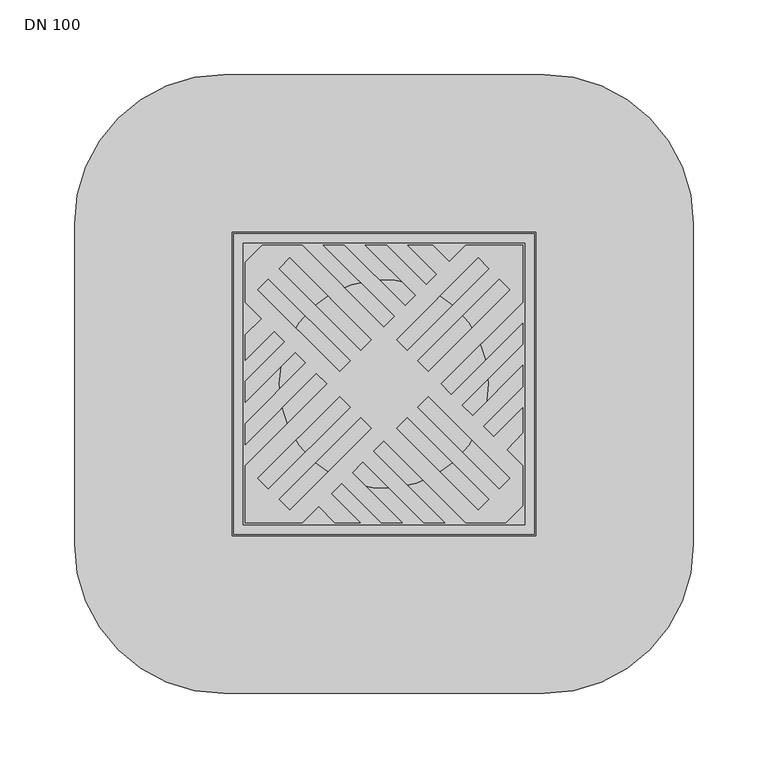
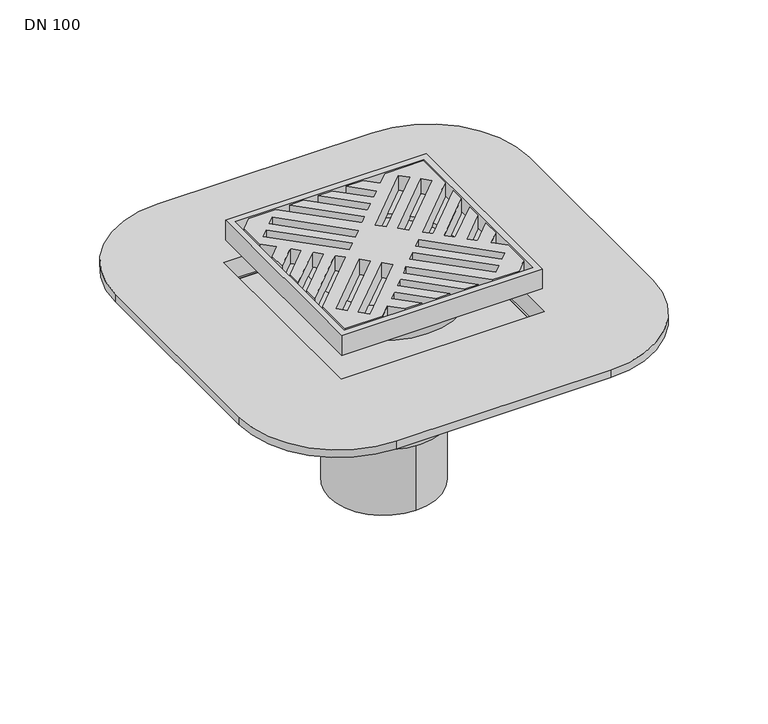
"""IFC4 building model written with IfcOpenShell, lengths in millimetres: sanitary terminal geometry, DN 100."""

from ifc_helpers import new_model, si_unit, frame, origin, place, context, project, spatial, polyline, circle_curve, outline, extrude, faceted_brep, source, transform, mapped, element, save
from ifc_brep_helpers import plane_surface, cylinder_surface, revolved_surface, advanced_brep


def dn_100_23a00a15(model_context):
    return source(origin(), model_context, "Body", "SolidModel", [
        faceted_brep([(84.95, 84.95, -21.0), (-84.95, 84.95, -21.0), (-84.95, -84.95, -21.0), (84.95, -84.95, -21.0), (78.7, 78.7, -29.0), (78.7, -78.7, -29.0), (-78.7, -78.7, -29.0), (-78.7, 78.7, -29.0)], [[[0, 1, 2, 3]], [[4, 5, 6, 7]], [[4, 7, 1, 0]], [[7, 6, 2, 1]], [[6, 5, 3, 2]], [[5, 4, 0, 3]]]),
        advanced_brep(
        [(-75.1, 0.0, -49.0), (75.1, 0.0, -49.0), (-75.1, 0.0, -29.0), (75.1, 0.0, -29.0)],
        [
            (0, 1, circle_curve(frame((0.0, 0.0, -49.0), z_axis=(0.0, 0.0, -1.0), x_axis=(1.0, 0.0, 0.0)), 75.1)),
            (1, 0, circle_curve(frame((0.0, 0.0, -49.0), z_axis=(0.0, 0.0, -1.0), x_axis=(1.0, 0.0, 0.0)), 75.1)),
            (2, 3, circle_curve(frame((0.0, 0.0, -29.0), z_axis=(0.0, 0.0, 1.0), x_axis=(1.0, 0.0, 0.0)), 75.1)),
            (3, 2, circle_curve(frame((0.0, 0.0, -29.0), z_axis=(0.0, 0.0, 1.0), x_axis=(1.0, 0.0, 0.0)), 75.1)),
            (1, 3),
            (2, 0),
        ],
        [
            plane_surface(frame((75.1, 0.0, -49.0), z_axis=(0.0, 0.0, -1.0), x_axis=(0.0, -1.0, 0.0))),
            plane_surface(frame((75.1, 0.0, -29.0), z_axis=(0.0, 0.0, 1.0), x_axis=(0.0, 1.0, 0.0))),
            cylinder_surface(frame((0.0, 0.0, -49.0), z_axis=(0.0, 0.0, 1.0), x_axis=(1.0, 0.0, 0.0)), 75.1),
        ],
        [
            (0, [[1, 2]]),
            (1, [[3, 4]]),
            (2, [[-2, 5, -3, 6]]),
            (2, [[-1, -6, -4, -5]]),
        ],
    ),
        advanced_brep(
        [(100.75, 100.75, -21.0), (100.75, -100.75, -21.0), (-100.75, -100.75, -21.0), (-100.75, 100.75, -21.0), (-70.1, 0.0, -21.0), (70.1, 0.0, -21.0), (94.5, -94.5, -16.0), (94.5, 94.5, -16.0), (-94.5, 94.5, -16.0), (-94.5, -94.5, -16.0), (-70.1, 0.0, -16.0), (70.1, 0.0, -16.0), (100.75, 100.75, 0.0), (-100.75, 100.75, 0.0), (-100.75, -100.75, 0.0), (100.75, -100.75, 0.0), (94.5, 94.5, 0.0), (94.5, -94.5, 0.0), (-94.5, -94.5, 0.0), (-94.5, 94.5, 0.0)],
        [
            (0, 1),
            (1, 2),
            (2, 3),
            (3, 0),
            (4, 5, circle_curve(frame((0.0, 0.0, -21.0), z_axis=(0.0, 0.0, 1.0), x_axis=(1.0, 0.0, 0.0)), 70.1)),
            (5, 4, circle_curve(frame((0.0, 0.0, -21.0), z_axis=(0.0, 0.0, 1.0), x_axis=(1.0, 0.0, 0.0)), 70.1)),
            (6, 7),
            (7, 8),
            (8, 9),
            (9, 6),
            (10, 11, circle_curve(frame((0.0, 0.0, -16.0), z_axis=(0.0, 0.0, -1.0), x_axis=(1.0, 0.0, 0.0)), 70.1)),
            (11, 10, circle_curve(frame((0.0, 0.0, -16.0), z_axis=(0.0, 0.0, -1.0), x_axis=(1.0, 0.0, 0.0)), 70.1)),
            (5, 11),
            (10, 4),
            (12, 13),
            (13, 14),
            (14, 15),
            (15, 12),
            (16, 17),
            (17, 18),
            (18, 19),
            (19, 16),
            (3, 13),
            (12, 0),
            (2, 14),
            (1, 15),
            (16, 7),
            (6, 17),
            (9, 18),
            (8, 19),
        ],
        [
            plane_surface(frame((-94.5, 94.5, -21.0), z_axis=(0.0, 0.0, -1.0), x_axis=(1.0, 0.0, 0.0))),
            plane_surface(frame((-94.5, 94.5, -16.0), z_axis=(0.0, 0.0, 1.0), x_axis=(-1.0, 0.0, 0.0))),
            revolved_surface(polyline([(70.1, 0.0, -21.0), (70.1, 0.0, -16.0)]), (0.0, 0.0, -29.0), (0.0, 0.0, -1.0)),
            plane_surface(frame((-100.75, 100.75, 0.0), z_axis=(0.0, 0.0, 1.0), x_axis=(-1.0, 0.0, 0.0))),
            plane_surface(frame((100.75, 100.75, 0.0), z_axis=(0.0, 1.0, 0.0), x_axis=(0.0, 0.0, -1.0))),
            plane_surface(frame((-100.75, 100.75, 0.0), z_axis=(-1.0, 0.0, 0.0), x_axis=(0.0, 0.0, -1.0))),
            plane_surface(frame((-100.75, -100.75, 0.0), z_axis=(0.0, -1.0, 0.0), x_axis=(0.0, 0.0, -1.0))),
            plane_surface(frame((100.75, -100.75, 0.0), z_axis=(1.0, 0.0, 0.0), x_axis=(0.0, 0.0, -1.0))),
            plane_surface(frame((94.5, 94.5, 0.0), z_axis=(-1.0, 0.0, 0.0), x_axis=(0.0, 0.0, -1.0))),
            plane_surface(frame((94.5, -94.5, 0.0), z_axis=(0.0, 1.0, 0.0), x_axis=(0.0, 0.0, -1.0))),
            plane_surface(frame((-94.5, -94.5, 0.0), z_axis=(1.0, 0.0, 0.0), x_axis=(0.0, 0.0, -1.0))),
            plane_surface(frame((-94.5, 94.5, 0.0), z_axis=(0.0, -1.0, 0.0), x_axis=(0.0, 0.0, -1.0))),
        ],
        [
            (0, [[1, 2, 3, 4], [5, 6]]),
            (1, [[7, 8, 9, 10], [11, 12]]),
            (2, [[-6, 13, -11, 14]]),
            (2, [[-5, -14, -12, -13]]),
            (3, [[15, 16, 17, 18], [19, 20, 21, 22]]),
            (4, [[-4, 23, -15, 24]]),
            (5, [[-3, 25, -16, -23]]),
            (6, [[-2, 26, -17, -25]]),
            (7, [[-1, -24, -18, -26]]),
            (8, [[-19, 27, -7, 28]]),
            (9, [[-20, -28, -10, 29]]),
            (10, [[-21, -29, -9, 30]]),
            (11, [[-22, -30, -8, -27]]),
        ],
    ),
        extrude(outline(polyline([(-93.0166638, -40.6740982), (-93.0166638, -26.5319626), (-52.3425656, 14.1421356), (-59.4136335, 21.2132034), (-93.0166638, -12.3898269), (-93.0166638, 1.7523087), (-66.4847013, 28.2842712), (-73.5557691, 35.3553391), (-93.0166638, 15.8944443), (-93.0166638, 32.8650071), (-82.0410505, 43.8406204), (-93.0166638, 54.8162338), (-93.0166638, 81.7029553), (-81.7029553, 93.0166638), (-54.8328977, 93.0166638), (0.0, 38.1837662), (7.0710678, 45.254834), (-40.690762, 93.0166638), (-26.5486264, 93.0166638), (14.1421356, 52.3259018), (21.2132034, 59.3969696), (-12.3898269, 93.0), (1.7523087, 93.0), (28.2842712, 66.4680374), (35.3553391, 73.5391052), (15.8944443, 93.0), (32.8650071, 93.0), (43.8406204, 82.0243866), (54.8162338, 93.0), (93.0, 93.0), (93.0, 54.8162338), (38.1837662, 0.0), (45.254834, -7.0710678), (93.0, 40.6740982), (93.0, 26.5319626), (52.3259018, -14.1421356), (59.3969696, -21.2132034), (93.0, 12.3898269), (93.0, -1.7523087), (66.4680374, -28.2842712), (73.5391052, -35.3553391), (93.0, -15.8944443), (93.0, -32.6426597), (82.3093846, -44.1256185), (93.0, -54.8353654), (93.0, -81.7029553), (81.6862915, -93.0166638), (54.8162338, -93.0166638), (0.0, -38.20043), (-7.0710678, -45.2714978), (40.6740982, -93.0166638), (26.5319626, -93.0166638), (-14.1587995, -52.3259018), (-21.2298673, -59.3969696), (12.3898269, -93.0166638), (-1.7523087, -93.0166638), (-28.3009351, -66.4680374), (-35.3720029, -73.5391052), (-15.8944443, -93.0166638), (-32.8816709, -93.0166638), (-43.8572843, -82.0410505), (-54.8328977, -93.0166638), (-93.0166638, -93.0166638), (-93.0166638, -54.8162338), (-38.20043, 0.0), (-45.2714978, 7.0710678), (-93.0166638, -40.6740982)]), holes=[polyline([(22.627417, 15.5563492), (29.6984848, 8.4852814), (84.4992604, 63.2860569), (77.4281925, 70.3571247), (22.627417, 15.5563492)]), polyline([(63.2860569, 84.4992604), (8.4852814, 29.6984848), (15.5563492, 22.627417), (70.3571247, 77.4281925), (63.2860569, 84.4992604)]), polyline([(-22.6440808, -15.5538815), (-29.7151487, -8.4852814), (-84.5159242, -63.3051885), (-77.4448564, -70.3737886), (-22.6440808, -15.5538815)]), polyline([(-63.3027208, -84.5159242), (-8.5019452, -29.7151487), (-15.573013, -22.6440808), (-70.3737886, -77.4448564), (-63.3027208, -84.5159242)]), polyline([(-84.5159242, 63.2860569), (-29.7151487, 8.4852814), (-22.6440808, 15.5563492), (-77.4448564, 70.3571247), (-84.5159242, 63.2860569)]), polyline([(-15.573013, 22.627417), (-8.5019452, 29.6984848), (-63.3027208, 84.4992604), (-70.3737886, 77.4281925), (-15.573013, 22.627417)]), polyline([(84.4992604, -63.3051885), (29.6984848, -8.4852814), (22.627417, -15.5538815), (77.4281925, -70.3737886), (84.4992604, -63.3051885)]), polyline([(15.5563492, -22.6440808), (8.4852814, -29.7151487), (63.2860569, -84.5159242), (70.3571247, -77.4448564), (15.5563492, -22.6440808)])]), frame((0.0, 0.0, -16.0), z_axis=(0.0, 0.0, 1.0), x_axis=(1.0, 0.0, 0.0)), (0.0, 0.0, 1.0), 16.0),
        advanced_brep(
        [(91.5703282, -91.5703282, -99.0), (77.4281925, -77.4281925, -99.0), (93.3380951, -93.3380951, -74.0), (75.6604256, -75.6604256, -74.0)],
        [
            (0, 1, circle_curve(frame((84.4992604, -84.4992604, -99.0), z_axis=(0.0, 0.0, -1.0), x_axis=(0.7071067811865511, -0.7071067811865446, 0.0)), 10.0)),
            (1, 0, circle_curve(frame((84.4992604, -84.4992604, -99.0), z_axis=(0.0, 0.0, -1.0), x_axis=(-0.707106781186546, 0.7071067811865497, 0.0)), 10.0)),
            (2, 3, circle_curve(frame((84.4992604, -84.4992604, -74.0), z_axis=(0.0, 0.0, 1.0), x_axis=(-0.707106781186546, 0.7071067811865497, 0.0)), 12.5)),
            (3, 2, circle_curve(frame((84.4992604, -84.4992604, -74.0), z_axis=(0.0, 0.0, 1.0), x_axis=(0.7071067811865511, -0.7071067811865446, 0.0)), 12.5)),
            (3, 1),
            (0, 2),
        ],
        [
            plane_surface(frame((84.4992604, -84.4992604, -99.0), z_axis=(0.0, 0.0, -1.0), x_axis=(-0.7071067811865452, -0.7071067811865499, 0.0))),
            plane_surface(frame((84.4992604, -84.4992604, -74.0), z_axis=(0.0, 0.0, 1.0), x_axis=(-0.7071067811865452, -0.7071067811865499, 0.0))),
            revolved_surface(polyline([(91.57032816, -91.57032816, -99.0), (93.3380951, -93.3380951, -74.0)]), (84.4992604, -84.4992604, -199.0), (0.0, 0.0, 1.0000000000000002)),
            revolved_surface(polyline([(77.42819256, -77.42819256, -99.0), (75.6604256, -75.6604256, -74.0)]), (84.4992604, -84.4992604, -199.0), (0.0, 0.0, 1.0000000000000002)),
        ],
        [
            (0, [[1, 2]]),
            (1, [[3, 4]]),
            (2, [[-4, 5, -1, 6]]),
            (3, [[-3, -6, -2, -5]]),
        ],
    ),
        advanced_brep(
        [(-91.5703282, -91.5703282, -99.0), (-77.4281925, -77.4281925, -99.0), (-93.3380951, -93.3380951, -74.0), (-75.6604256, -75.6604256, -74.0)],
        [
            (0, 1, circle_curve(frame((-84.4992604, -84.4992604, -99.0), z_axis=(0.0, 0.0, -1.0), x_axis=(-0.7071067811865481, -0.7071067811865476, 0.0)), 10.0)),
            (1, 0, circle_curve(frame((-84.4992604, -84.4992604, -99.0), z_axis=(0.0, 0.0, -1.0), x_axis=(0.7071067811865448, 0.7071067811865509, 0.0)), 10.0)),
            (2, 3, circle_curve(frame((-84.4992604, -84.4992604, -74.0), z_axis=(0.0, 0.0, 1.0), x_axis=(0.7071067811865448, 0.7071067811865509, 0.0)), 12.5)),
            (3, 2, circle_curve(frame((-84.4992604, -84.4992604, -74.0), z_axis=(0.0, 0.0, 1.0), x_axis=(-0.7071067811865481, -0.7071067811865476, 0.0)), 12.5)),
            (3, 1),
            (0, 2),
        ],
        [
            plane_surface(frame((-84.4992604, -84.4992604, -99.0), z_axis=(0.0, 0.0, -1.0000000000000002), x_axis=(-0.707106781186551, 0.7071067811865441, 0.0))),
            plane_surface(frame((-84.4992604, -84.4992604, -74.0), z_axis=(0.0, 0.0, 1.0000000000000002), x_axis=(-0.707106781186551, 0.7071067811865441, 0.0))),
            revolved_surface(polyline([(-91.57032816, -91.57032816, -99.0), (-93.3380951, -93.3380951, -74.0)]), (-84.4992604, -84.4992604, -199.0), (0.0, 0.0, 1.0000000000000002)),
            revolved_surface(polyline([(-77.42819256, -77.42819256, -99.0), (-75.6604256, -75.6604256, -74.0)]), (-84.4992604, -84.4992604, -199.0), (0.0, 0.0, 1.0000000000000002)),
        ],
        [
            (0, [[1, 2]]),
            (1, [[3, 4]]),
            (2, [[-4, 5, -1, 6]]),
            (3, [[-3, -6, -2, -5]]),
        ],
    ),
        advanced_brep(
        [(-91.5703282, 91.5703282, -99.0), (-77.4281925, 77.4281925, -99.0), (-93.3380951, 93.3380951, -74.0), (-75.6604256, 75.6604256, -74.0)],
        [
            (0, 1, circle_curve(frame((-84.4992604, 84.4992604, -99.0), z_axis=(0.0, 0.0, -1.0), x_axis=(-0.7071067811865477, 0.707106781186548, 0.0)), 10.0)),
            (1, 0, circle_curve(frame((-84.4992604, 84.4992604, -99.0), z_axis=(0.0, 0.0, -1.0), x_axis=(0.707106781186546, -0.7071067811865498, 0.0)), 10.0)),
            (2, 3, circle_curve(frame((-84.4992604, 84.4992604, -74.0), z_axis=(0.0, 0.0, 1.0), x_axis=(0.707106781186546, -0.7071067811865498, 0.0)), 12.5)),
            (3, 2, circle_curve(frame((-84.4992604, 84.4992604, -74.0), z_axis=(0.0, 0.0, 1.0), x_axis=(-0.7071067811865477, 0.707106781186548, 0.0)), 12.5)),
            (3, 1),
            (0, 2),
        ],
        [
            plane_surface(frame((-84.4992604, 84.4992604, -99.0), z_axis=(0.0, 0.0, -1.0), x_axis=(0.7071067811865471, 0.7071067811865479, 0.0))),
            plane_surface(frame((-84.4992604, 84.4992604, -74.0), z_axis=(0.0, 0.0, 1.0), x_axis=(0.7071067811865471, 0.7071067811865479, 0.0))),
            revolved_surface(polyline([(-91.57032816, 91.57032816, -99.0), (-93.3380951, 93.3380951, -74.0)]), (-84.4992604, 84.4992604, -199.0), (0.0, 0.0, 1.0000000000000002)),
            revolved_surface(polyline([(-77.42819256, 77.42819256, -99.0), (-75.6604256, 75.6604256, -74.0)]), (-84.4992604, 84.4992604, -199.0), (0.0, 0.0, 1.0000000000000002)),
        ],
        [
            (0, [[1, 2]]),
            (1, [[3, 4]]),
            (2, [[-4, 5, -1, 6]]),
            (3, [[-3, -6, -2, -5]]),
        ],
    ),
        advanced_brep(
        [(91.5703282, 91.5703282, -99.0), (77.4281925, 77.4281925, -99.0), (93.3380951, 93.3380951, -74.0), (75.6604256, 75.6604256, -74.0)],
        [
            (0, 1, circle_curve(frame((84.4992604, 84.4992604, -99.0), z_axis=(0.0, 0.0, -1.0), x_axis=(0.7071067811865447, 0.707106781186551, 0.0)), 10.0)),
            (1, 0, circle_curve(frame((84.4992604, 84.4992604, -99.0), z_axis=(0.0, 0.0, -1.0), x_axis=(-0.7071067811865481, -0.7071067811865476, 0.0)), 10.0)),
            (2, 3, circle_curve(frame((84.4992604, 84.4992604, -74.0), z_axis=(0.0, 0.0, 1.0), x_axis=(-0.7071067811865481, -0.7071067811865476, 0.0)), 12.5)),
            (3, 2, circle_curve(frame((84.4992604, 84.4992604, -74.0), z_axis=(0.0, 0.0, 1.0), x_axis=(0.7071067811865447, 0.707106781186551, 0.0)), 12.5)),
            (3, 1),
            (0, 2),
        ],
        [
            plane_surface(frame((84.4992604, 84.4992604, -99.0), z_axis=(0.0, 0.0, -1.0), x_axis=(0.7071067811865491, -0.7071067811865459, 0.0))),
            plane_surface(frame((84.4992604, 84.4992604, -74.0), z_axis=(0.0, 0.0, 1.0), x_axis=(0.7071067811865491, -0.7071067811865459, 0.0))),
            revolved_surface(polyline([(91.57032816, 91.57032816, -99.0), (93.3380951, 93.3380951, -74.0)]), (84.4992604, 84.4992604, -199.0), (0.0, 0.0, 1.0000000000000002)),
            revolved_surface(polyline([(77.42819256, 77.42819256, -99.0), (75.6604256, 75.6604256, -74.0)]), (84.4992604, 84.4992604, -199.0), (0.0, 0.0, 1.0000000000000002)),
        ],
        [
            (0, [[1, 2]]),
            (1, [[3, 4]]),
            (2, [[-4, 5, -1, 6]]),
            (3, [[-3, -6, -2, -5]]),
        ],
    ),
        advanced_brep(
        [(101.87, -101.87, -66.0), (101.87, 101.87, -66.0), (-101.87, 101.87, -66.0), (-101.87, -101.87, -66.0), (100.0, 100.0, -66.0), (100.0, -100.0, -66.0), (-100.0, -100.0, -66.0), (-100.0, 100.0, -66.0), (107.33, 107.33, -74.0), (107.33, -107.33, -74.0), (-107.33, -107.33, -74.0), (-107.33, 107.33, -74.0), (100.0, 100.0, -74.0), (-100.0, 100.0, -74.0), (-100.0, -100.0, -74.0), (100.0, -100.0, -74.0), (-107.33, 107.33, -53.0), (107.33, 107.33, -53.0), (-107.33, -107.33, -53.0), (107.33, -107.33, -53.0), (101.87, -101.87, -45.0), (101.87, 101.87, -45.0), (-101.87, -101.87, -45.0), (-101.87, 101.87, -45.0), (107.5, 207.5, -45.0), (-107.5, 207.5, -45.0), (-207.5, 107.5, -45.0), (-207.5, -107.5, -45.0), (-107.5, -207.5, -45.0), (107.5, -207.5, -45.0), (207.5, -107.5, -45.0), (207.5, 107.5, -45.0), (107.5, 207.5, -53.0), (207.5, 107.5, -53.0), (207.5, -107.5, -53.0), (107.5, -207.5, -53.0), (-107.5, -207.5, -53.0), (-207.5, -107.5, -53.0), (-207.5, 107.5, -53.0), (-107.5, 207.5, -53.0)],
        [
            (0, 1),
            (1, 2),
            (2, 3),
            (3, 0),
            (4, 5),
            (5, 6),
            (6, 7),
            (7, 4),
            (8, 9),
            (9, 10),
            (10, 11),
            (11, 8),
            (12, 13),
            (13, 14),
            (14, 15),
            (15, 12),
            (4, 12),
            (15, 5),
            (14, 6),
            (13, 7),
            (11, 16),
            (16, 17),
            (17, 8),
            (10, 18),
            (18, 16),
            (9, 19),
            (19, 18),
            (17, 19),
            (0, 20),
            (20, 21),
            (21, 1),
            (3, 22),
            (22, 20),
            (2, 23),
            (23, 22),
            (21, 23),
            (24, 25),
            (25, 26, circle_curve(frame((-107.5, 107.5, -45.0), z_axis=(0.0, 0.0, 1.0), x_axis=(1.0, 0.0, 0.0)), 100.0)),
            (26, 27),
            (27, 28, circle_curve(frame((-107.5, -107.5, -45.0), z_axis=(0.0, 0.0, 1.0), x_axis=(1.0, 0.0, 0.0)), 100.0)),
            (28, 29),
            (29, 30, circle_curve(frame((107.5, -107.5, -45.0), z_axis=(0.0, 0.0, 1.0), x_axis=(1.0, 0.0, 0.0)), 100.0)),
            (30, 31),
            (31, 24, circle_curve(frame((107.5, 107.5, -45.0), z_axis=(0.0, 0.0, 1.0), x_axis=(1.0, 0.0, 0.0)), 100.0)),
            (32, 33, circle_curve(frame((107.5, 107.5, -53.0), z_axis=(0.0, 0.0, -1.0), x_axis=(1.0, 0.0, 0.0)), 100.0)),
            (33, 34),
            (34, 35, circle_curve(frame((107.5, -107.5, -53.0), z_axis=(0.0, 0.0, -1.0), x_axis=(1.0, 0.0, 0.0)), 100.0)),
            (35, 36),
            (36, 37, circle_curve(frame((-107.5, -107.5, -53.0), z_axis=(0.0, 0.0, -1.0), x_axis=(1.0, 0.0, 0.0)), 100.0)),
            (37, 38),
            (38, 39, circle_curve(frame((-107.5, 107.5, -53.0), z_axis=(0.0, 0.0, -1.0), x_axis=(1.0, 0.0, 0.0)), 100.0)),
            (39, 32),
            (24, 32),
            (39, 25),
            (38, 26),
            (37, 27),
            (36, 28),
            (35, 29),
            (34, 30),
            (33, 31),
        ],
        [
            plane_surface(frame((100.0, 100.0, -66.0), z_axis=(0.0, 0.0, 1.0), x_axis=(0.0, -1.0, 0.0))),
            plane_surface(frame((100.0, 100.0, -74.0), z_axis=(0.0, 0.0, -1.0), x_axis=(0.0, 1.0, 0.0))),
            plane_surface(frame((100.0, 100.0, -66.0), z_axis=(-1.0, 0.0, 0.0), x_axis=(0.0, 0.0, -1.0))),
            plane_surface(frame((100.0, -100.0, -66.0), z_axis=(0.0, 1.0, 0.0), x_axis=(0.0, 0.0, -1.0))),
            plane_surface(frame((-100.0, -100.0, -66.0), z_axis=(1.0, 0.0, 0.0), x_axis=(0.0, 0.0, -1.0))),
            plane_surface(frame((-100.0, 100.0, -66.0), z_axis=(0.0, -1.0, 0.0), x_axis=(0.0, 0.0, -1.0))),
            plane_surface(frame((107.33, 107.33, -66.0), z_axis=(0.0, 1.0, 0.0), x_axis=(0.0, 0.0, -1.0))),
            plane_surface(frame((-107.33, 107.33, -66.0), z_axis=(-1.0, 0.0, 0.0), x_axis=(0.0, 0.0, -1.0))),
            plane_surface(frame((-107.33, -107.33, -66.0), z_axis=(0.0, -1.0, 0.0), x_axis=(0.0, 0.0, -1.0))),
            plane_surface(frame((107.33, -107.33, -66.0), z_axis=(1.0, 0.0, 0.0), x_axis=(0.0, 0.0, -1.0))),
            plane_surface(frame((101.87, 101.87, -53.0), z_axis=(-1.0, 0.0, 0.0), x_axis=(0.0, 0.0, -1.0))),
            plane_surface(frame((101.87, -101.87, -53.0), z_axis=(0.0, 1.0, 0.0), x_axis=(0.0, 0.0, -1.0))),
            plane_surface(frame((-101.87, -101.87, -53.0), z_axis=(1.0, 0.0, 0.0), x_axis=(0.0, 0.0, -1.0))),
            plane_surface(frame((-101.87, 101.87, -53.0), z_axis=(0.0, -1.0, 0.0), x_axis=(0.0, 0.0, -1.0))),
            plane_surface(frame((101.87, 101.87, -45.0), z_axis=(0.0, 0.0, 1.0), x_axis=(0.0, -1.0, 0.0))),
            plane_surface(frame((101.87, 101.87, -53.0), z_axis=(0.0, 0.0, -1.0), x_axis=(0.0, 1.0, 0.0))),
            plane_surface(frame((107.5, 207.5, -45.0), z_axis=(0.0, 1.0, 0.0), x_axis=(0.0, 0.0, -1.0))),
            cylinder_surface(frame((-107.5, 107.5, -66.0), z_axis=(0.0, 0.0, 1.0), x_axis=(1.0, 0.0, 0.0)), 100.0),
            plane_surface(frame((-207.5, 107.5, -45.0), z_axis=(-1.0, 0.0, 0.0), x_axis=(0.0, 0.0, -1.0))),
            cylinder_surface(frame((-107.5, -107.5, -66.0), z_axis=(0.0, 0.0, 1.0), x_axis=(1.0, 0.0, 0.0)), 100.0),
            plane_surface(frame((-107.5, -207.5, -45.0), z_axis=(0.0, -1.0, 0.0), x_axis=(0.0, 0.0, -1.0))),
            cylinder_surface(frame((107.5, -107.5, -66.0), z_axis=(0.0, 0.0, 1.0), x_axis=(1.0, 0.0, 0.0)), 100.0),
            plane_surface(frame((207.5, -107.5, -45.0), z_axis=(1.0, 0.0, 0.0), x_axis=(0.0, 0.0, -1.0))),
            cylinder_surface(frame((107.5, 107.5, -66.0), z_axis=(0.0, 0.0, 1.0), x_axis=(1.0, 0.0, 0.0)), 100.0),
        ],
        [
            (0, [[1, 2, 3, 4], [5, 6, 7, 8]]),
            (1, [[9, 10, 11, 12], [13, 14, 15, 16]]),
            (2, [[-5, 17, -16, 18]]),
            (3, [[-6, -18, -15, 19]]),
            (4, [[-7, -19, -14, 20]]),
            (5, [[-8, -20, -13, -17]]),
            (6, [[-12, 21, 22, 23]]),
            (7, [[-11, 24, 25, -21]]),
            (8, [[-10, 26, 27, -24]]),
            (9, [[-9, -23, 28, -26]]),
            (10, [[-1, 29, 30, 31]]),
            (11, [[-29, -4, 32, 33]]),
            (12, [[-32, -3, 34, 35]]),
            (13, [[-31, 36, -34, -2]]),
            (14, [[37, 38, 39, 40, 41, 42, 43, 44], [-30, -33, -35, -36]]),
            (15, [[45, 46, 47, 48, 49, 50, 51, 52], [-22, -25, -27, -28]]),
            (16, [[-37, 53, -52, 54]]),
            (17, [[-38, -54, -51, 55]]),
            (18, [[-39, -55, -50, 56]]),
            (19, [[-40, -56, -49, 57]]),
            (20, [[-41, -57, -48, 58]]),
            (21, [[-42, -58, -47, 59]]),
            (22, [[-43, -59, -46, 60]]),
            (23, [[-44, -60, -45, -53]]),
        ],
    ),
        advanced_brep(
        [(100.0, 100.0, -66.0), (-100.0, 100.0, -66.0), (-100.0, -100.0, -66.0), (100.0, -100.0, -66.0), (100.0, 100.0, -74.0), (100.0, -100.0, -74.0), (-100.0, -100.0, -74.0), (-100.0, 100.0, -74.0), (-82.0, 0.0, -74.0), (82.0, 0.0, -74.0), (-82.0, 0.0, -99.63), (82.0, 0.0, -99.63), (67.2, 0.0, -109.98), (-67.2, 0.0, -109.98), (0.0, 55.0, -248.73), (0.0, -55.0, -248.73), (0.0, -55.0, -173.73), (0.0, 55.0, -173.73), (-62.85, 0.0, -173.73), (62.85, 0.0, -173.73)],
        [
            (0, 1),
            (1, 2),
            (2, 3),
            (3, 0),
            (4, 5),
            (5, 6),
            (6, 7),
            (7, 4),
            (8, 9, circle_curve(frame((0.0, 0.0, -74.0), z_axis=(0.0, 0.0, 1.0), x_axis=(1.0, 0.0, 0.0)), 82.0)),
            (9, 8, circle_curve(frame((0.0, 0.0, -74.0), z_axis=(0.0, 0.0, 1.0), x_axis=(1.0, 0.0, 0.0)), 82.0)),
            (8, 10),
            (10, 11, circle_curve(frame((0.0, 0.0, -99.63), z_axis=(0.0, 0.0, 1.0), x_axis=(1.0, 0.0, 0.0)), 82.0)),
            (11, 9),
            (11, 10, circle_curve(frame((0.0, 0.0, -99.63), z_axis=(0.0, 0.0, 1.0), x_axis=(1.0, 0.0, 0.0)), 82.0)),
            (12, 11),
            (10, 13),
            (13, 12, circle_curve(frame((0.0, 0.0, -109.98), z_axis=(0.0, 0.0, 1.0), x_axis=(-1.0, 0.0, 0.0)), 67.2)),
            (12, 13, circle_curve(frame((0.0, 0.0, -109.98), z_axis=(0.0, 0.0, 1.0), x_axis=(1.0, 0.0, 0.0)), 67.2)),
            (14, 15, circle_curve(frame((0.0, 0.0, -248.73), z_axis=(0.0, 0.0, -1.0), x_axis=(0.0, -1.0, 0.0)), 55.0)),
            (15, 14, circle_curve(frame((0.0, 0.0, -248.73), z_axis=(0.0, 0.0, -1.0), x_axis=(0.0, -1.0, 0.0)), 55.0)),
            (15, 16),
            (16, 17, circle_curve(frame((0.0, 0.0, -173.73), z_axis=(0.0, 0.0, -1.0), x_axis=(0.0, -1.0, 0.0)), 55.0)),
            (17, 14),
            (17, 16, circle_curve(frame((0.0, 0.0, -173.73), z_axis=(0.0, 0.0, -1.0), x_axis=(0.0, -1.0, 0.0)), 55.0)),
            (18, 19, circle_curve(frame((0.0, 0.0, -173.73), z_axis=(0.0, 0.0, -1.0), x_axis=(1.0, 0.0, 0.0)), 62.85)),
            (19, 18, circle_curve(frame((0.0, 0.0, -173.73), z_axis=(0.0, 0.0, -1.0), x_axis=(-1.0, 0.0, 0.0)), 62.85)),
            (19, 12),
            (13, 18),
            (0, 4),
            (7, 1),
            (6, 2),
            (5, 3),
        ],
        [
            plane_surface(frame((-100.0, 100.0, -66.0), z_axis=(0.0, 0.0, 1.0), x_axis=(-1.0, 0.0, 0.0))),
            plane_surface(frame((-100.0, 100.0, -74.0), z_axis=(0.0, 0.0, -1.0), x_axis=(1.0, 0.0, 0.0))),
            cylinder_surface(frame((0.0, 0.0, -99.63), z_axis=(0.0, 0.0, 1.0), x_axis=(1.0, 0.0, 0.0)), 82.0),
            revolved_surface(polyline([(67.20000000139505, 0.0, -109.98), (82.0, 0.0, -99.63)]), (0.0, 0.0, -156.9745946), (0.0, 0.0, 1.0)),
            plane_surface(frame((0.0, -55.0, -248.73), z_axis=(0.0, 0.0, -1.0), x_axis=(-1.0, 0.0, 0.0))),
            cylinder_surface(frame((0.0, 0.0, -248.73), z_axis=(0.0, 0.0, 1.0), x_axis=(0.0, -1.0, 0.0)), 55.0),
            plane_surface(frame((0.0, 0.0, -173.73), z_axis=(0.0, 0.0, -1.0), x_axis=(0.0, -1.0, 0.0))),
            revolved_surface(polyline([(62.84999999996954, 0.0, -173.73000000000002), (67.2, 0.0, -109.98000000000002)]), (0.0, 0.0, -1094.8075862), (0.0, 0.0, 1.0)),
            revolved_surface(polyline([(-62.84999999996954, 0.0, -173.73000000000002), (-67.2, 0.0, -109.98000000000002)]), (0.0, 0.0, -1094.8075862), (0.0, 0.0, 1.0)),
            plane_surface(frame((100.0, 100.0, -66.0), z_axis=(0.0, 1.0, 0.0), x_axis=(0.0, 0.0, -1.0))),
            plane_surface(frame((-100.0, 100.0, -66.0), z_axis=(-1.0, 0.0, 0.0), x_axis=(0.0, 0.0, -1.0))),
            plane_surface(frame((-100.0, -100.0, -66.0), z_axis=(0.0, -1.0, 0.0), x_axis=(0.0, 0.0, -1.0))),
            plane_surface(frame((100.0, -100.0, -66.0), z_axis=(1.0, 0.0, 0.0), x_axis=(0.0, 0.0, -1.0))),
        ],
        [
            (0, [[1, 2, 3, 4]]),
            (1, [[5, 6, 7, 8], [9, 10]]),
            (2, [[11, 12, 13, -9]]),
            (2, [[-11, -10, -13, 14]]),
            (3, [[15, -12, 16, 17]]),
            (3, [[-15, 18, -16, -14]]),
            (4, [[19, 20]]),
            (5, [[-20, 21, 22, 23]]),
            (5, [[-19, -23, 24, -21]]),
            (6, [[25, 26], [-22, -24]]),
            (7, [[-26, 27, -17, 28]]),
            (8, [[-25, -28, -18, -27]]),
            (9, [[-1, 29, -8, 30]]),
            (10, [[-2, -30, -7, 31]]),
            (11, [[-3, -31, -6, 32]]),
            (12, [[-4, -32, -5, -29]]),
        ],
    ),
    ])


if __name__ == "__main__":
    model = new_model("IFC4")
    model_context = context("Model", 3, world=origin())
    ifc_project = project(units=[si_unit("LENGTHUNIT", "METRE", prefix="MILLI")], contexts=[model_context])
    site = spatial("IfcSite", under=ifc_project)
    building = spatial("IfcBuilding", under=site)
    placement = place(None, origin())
    dn_100_shape = dn_100_23a00a15(model_context)
    element("IfcSanitaryTerminal", 1, ObjectType="DN 100", at=placement, inside=building, context=model_context, shape_type="MappedRepresentation", body=[
        mapped(dn_100_shape, transform((0.0, 0.0, 0.0), x_axis=(1.0, 0.0, 0.0), y_axis=(0.0, 1.0, 0.0), z_axis=(0.0, 0.0, 1.0))),
    ])
    save(model, "model.ifc")
